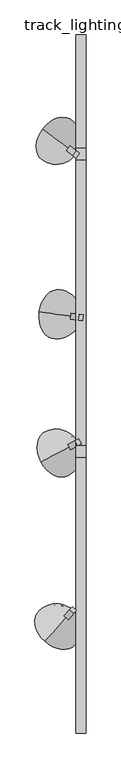
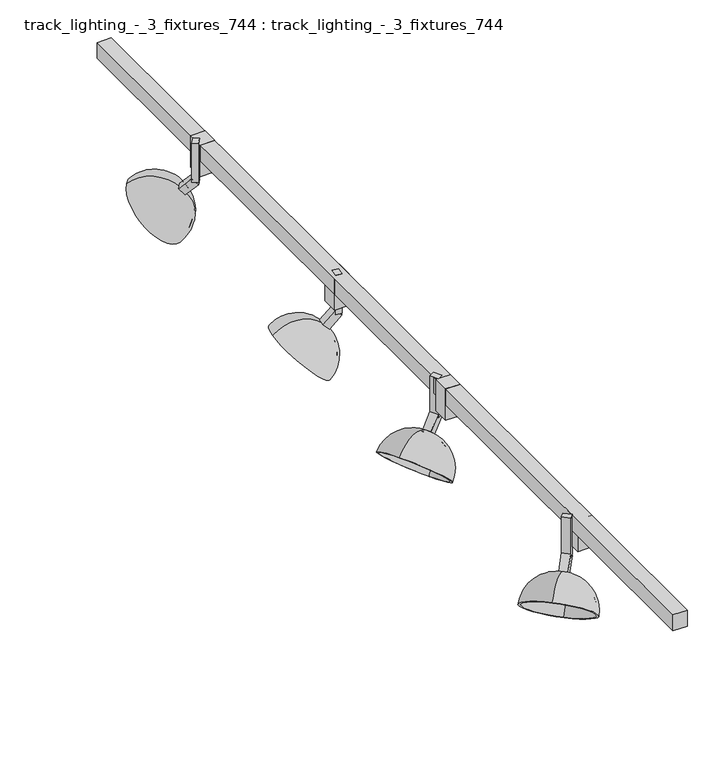
"""IFC4 building model written with IfcOpenShell, lengths in millimetres: light fixture geometry, track_lighting_-_3_fixtures_744 : track_lighting_-_3_fixtures_744."""

from ifc_helpers import new_model, si_unit, point, frame, origin, place, context, project, spatial, polyline, circle_curve, ellipse_curve, trimmed, outline, extrude, source, transform, mapped, element, save
from ifc_brep_helpers import plane_surface, revolved_surface, advanced_brep


def track_lighting_3_fixtures_744_track_lighting_3_fixtures_744_020bd9e4(model_context):
    return source(origin(), model_context, "Body", "SolidModel", [
        extrude(outline(polyline([(21.1742761, 368.065558), (22.8812651, 380.6503181), (31.7800344, 379.4432947), (30.0730454, 366.8585345), (21.1742761, 368.065558)])), frame((0.0, 0.0, 2374.9), z_axis=(0.0, 0.0, 1.0), x_axis=(1.0, 0.0, 0.0)), (0.0, 0.0, 1.0), 63.5),
        extrude(outline(polyline([(0.0, 12.7), (25.4, 12.7), (25.4, 1e-07), (0.0, 0.0), (0.0, 12.7)])), frame((31.7800344, 379.4432947, 2371.9400614), z_axis=(-0.7006904927370674, 0.09504121941494607, 0.7071067811865517), x_axis=(-0.7006904927370755, 0.09504121941494717, -0.7071067811865435)), (0.0, 0.0, 1.0), 12.7),
        advanced_brep(
        [(10.9948777, 375.8544327, 2356.3160112), (10.9948777, 375.8544327, 2284.1890069), (-64.9270306, 386.1524328, 2360.8061393), (6.5454931, 376.4579445, 2360.8061393), (8.6290006, 376.1753388, 2353.9284695), (4.179616, 376.7788506, 2358.4185976), (8.6290006, 376.1753388, 2286.5765486), (-62.5611535, 385.8315267, 2358.4185976)],
        [
            (0, 1, circle_curve(frame((-24.7413841, 380.7016769, 2320.252509), z_axis=(0.13440858148108553, 0.9909259978546546, 0.0), x_axis=(-0.7006904927370693, 0.09504121941493318, 0.7071067811865517)), 51.0014938)),
            (1, 2, circle_curve(frame((-26.9660764, 381.0034328, 2322.4975731), z_axis=(0.7006904927370761, -0.09504121941494727, 0.707106781186543), x_axis=(-0.7006904927370676, 0.09504121941494285, 0.707106781186552)), 54.1764938)),
            (2, 3, circle_curve(frame((-29.1907687, 381.3051886, 2324.7426371), z_axis=(0.13440858148109247, 0.9909259978546537, 0.0), x_axis=(0.7006904927370673, -0.0950412194149429, -0.7071067811865523)), 51.0014938)),
            (3, 0, circle_curve(frame((8.7701854, 376.1561886, 2358.5610752), z_axis=(-0.7006904927370761, 0.09504121941494727, -0.707106781186543), x_axis=(-0.7006904927370676, 0.09504121941494285, 0.707106781186552)), 3.175)),
            (4, 0),
            (3, 5),
            (5, 4, circle_curve(frame((6.4043083, 376.4770947, 2356.1735335), z_axis=(-0.7006904927370761, 0.09504121941494727, -0.707106781186543), x_axis=(-0.7006904927370676, 0.09504121941494285, 0.707106781186552)), 3.175)),
            (6, 4, circle_curve(frame((-24.7413841, 380.7016769, 2320.252509), z_axis=(-0.13440858148109364, -0.9909259978546536, 0.0), x_axis=(-0.7006904927370677, 0.09504121941494462, 0.7071067811865517)), 47.625)),
            (5, 7, circle_curve(frame((-29.1907687, 381.3051886, 2324.7426371), z_axis=(-0.13440858148109247, -0.9909259978546537, 0.0), x_axis=(0.7006904927370673, -0.0950412194149429, -0.7071067811865523)), 47.625)),
            (7, 6, circle_curve(frame((-26.9660764, 381.0034328, 2322.4975731), z_axis=(-0.7006904927370761, 0.09504121941494727, -0.707106781186543), x_axis=(-0.7006904927370676, 0.09504121941494285, 0.707106781186552)), 50.8)),
            (1, 6),
            (7, 2),
            (2, 1, circle_curve(frame((-26.9660764, 381.0034328, 2322.4975731), z_axis=(0.7006904927370761, -0.09504121941494727, 0.707106781186543), x_axis=(0.7006904927370672, -0.09504121941494595, -0.707106781186552)), 54.1764938)),
            (0, 3, circle_curve(frame((8.7701854, 376.1561886, 2358.5610752), z_axis=(-0.7006904927370761, 0.09504121941494727, -0.707106781186543), x_axis=(0.7006904927370672, -0.09504121941494595, -0.707106781186552)), 3.175)),
            (4, 5, circle_curve(frame((6.4043083, 376.4770947, 2356.1735335), z_axis=(-0.7006904927370761, 0.09504121941494727, -0.707106781186543), x_axis=(0.7006904927370672, -0.09504121941494595, -0.707106781186552)), 3.175)),
            (6, 7, circle_curve(frame((-26.9660764, 381.0034328, 2322.4975731), z_axis=(-0.7006904927370761, 0.09504121941494727, -0.707106781186543), x_axis=(0.7006904927370672, -0.09504121941494595, -0.707106781186552)), 50.8)),
        ],
        [
            revolved_surface(trimmed(ellipse_curve(frame((-29.1907687, 381.3051886, 2324.7426371), z_axis=(0.13440858148109247, 0.9909259978546537, 0.0), x_axis=(0.7006904927370673, -0.0950412194149429, -0.7071067811865523)), 51.0014938, 51.0014938), [point((-64.9270306, 386.1524328, 2360.8061393))], [point((6.5454931, 376.4579445, 2360.8061393))], True, "CARTESIAN"), (-1664.2890037, 603.0888888, 670.1815264), (0.7006904927370761, -0.09504121941494727, 0.707106781186543)),
            revolved_surface(polyline([(6.5454931547435535, 376.45794451341686, 2360.8061392475574), (4.179615993413563, 376.77885060923165, 2358.4185975275377)]), (-1664.2890037, 603.0888888, 670.1815264), (0.7006904927370761, -0.09504121941494727, 0.707106781186543)),
            revolved_surface(trimmed(ellipse_curve(frame((-29.1907687, 381.3051886, 2324.7426371), z_axis=(-0.13440858148109247, -0.9909259978546537, 0.0), x_axis=(0.7006904927370673, -0.0950412194149429, -0.7071067811865523)), 47.625, 47.625), [point((4.179616, 376.7788506, 2358.4185976))], [point((-62.5611535, 385.8315267, 2358.4185976))], True, "CARTESIAN"), (-1664.2890037, 603.0888888, 670.1815264), (0.7006904927370761, -0.09504121941494727, 0.707106781186543)),
            plane_surface(frame((-26.9660764, 381.0034328, 2322.4975731), z_axis=(-0.700690492737076, 0.09504121941494724, -0.7071067811865432), x_axis=(-0.7006904927370676, 0.09504121941494285, 0.707106781186552))),
            revolved_surface(trimmed(ellipse_curve(frame((-24.7413841, 380.7016769, 2320.252509), z_axis=(-0.13440858148109466, -0.9909259978546534, 0.0), x_axis=(-0.7006904927370675, 0.09504121941494607, 0.7071067811865517)), 51.0014938, 51.0014938), [point((10.9948777, 375.8544327, 2284.1890069))], [point((10.9948777, 375.8544327, 2356.3160112))], True, "CARTESIAN"), (-1664.2890037, 603.0888888, 670.1815264), (0.7006904927370761, -0.09504121941494727, 0.707106781186543)),
            revolved_surface(polyline([(10.994877783624133, 375.85443277013206, 2356.316011187023), (8.629000622294143, 376.17533886594686, 2353.928469467003)]), (-1664.2890037, 603.0888888, 670.1815264), (0.7006904927370761, -0.09504121941494727, 0.707106781186543)),
            revolved_surface(trimmed(ellipse_curve(frame((-24.7413841, 380.7016769, 2320.252509), z_axis=(0.13440858148109466, 0.9909259978546534, 0.0), x_axis=(-0.7006904927370675, 0.09504121941494607, 0.7071067811865517)), 47.625, 47.625), [point((8.6290006, 376.1753388, 2353.9284695))], [point((8.6290006, 376.1753388, 2286.5765486))], True, "CARTESIAN"), (-1664.2890037, 603.0888888, 670.1815264), (0.7006904927370761, -0.09504121941494727, 0.707106781186543)),
            plane_surface(frame((-26.9660764, 381.0034328, 2322.4975731), z_axis=(-0.700690492737076, 0.09504121941494725, -0.7071067811865432), x_axis=(0.7006904927370672, -0.09504121941494595, -0.707106781186552))),
        ],
        [
            (0, [[1, 2, 3, 4]]),
            (1, [[5, -4, 6, 7]]),
            (2, [[8, -7, 9, 10]]),
            (3, [[11, -10, 12, -2]]),
            (4, [[-3, 13, -1, 14]]),
            (5, [[-6, -14, -5, 15]]),
            (6, [[-9, -15, -8, 16]]),
            (7, [[-12, -16, -11, -13]]),
        ],
    ),
        extrude(outline(polyline([(1.4066547, -263.8270711), (7.4156189, -257.1534402), (16.8535582, -265.6513989), (10.844594, -272.3250298), (1.4066547, -263.8270711)])), frame((0.0, 0.0, 2374.9), z_axis=(0.0, 0.0, 1.0), x_axis=(1.0, 0.0, 0.0)), (0.0, 0.0, 1.0), 63.5),
        extrude(outline(polyline([(12.7, -1e-07), (12.7, -12.7000001), (0.0, -12.7), (0.0, 0.0), (12.7, -1e-07)])), frame((-10.6112738, -277.1743328, 2362.9598052), z_axis=(0.4731467892558183, 0.5254827454987617, 0.7071067811865434), x_axis=(0.4731467892558127, 0.5254827454987554, -0.7071067811865519)), (0.0, 0.0, 1.0), 25.4),
        advanced_brep(
        [(-1.3244237, -276.3501671, 2356.3160112), (-4.3289058, -279.6869825, 2360.8061393), (-52.591292, -333.2877925, 2360.8061393), (-1.3244237, -276.3501671, 2284.1890069), (-2.9220009, -278.1244563, 2353.9284695), (-5.9264831, -281.4612717, 2358.4185976), (-2.9220009, -278.1244563, 2286.5765486), (-50.9937147, -331.5135033, 2358.4185976)],
        [
            (0, 1, circle_curve(frame((-2.8266648, -278.0185748, 2358.5610752), z_axis=(-0.47314678925581866, -0.5254827454987621, -0.7071067811865429), x_axis=(-0.4731467892558151, -0.5254827454987533, 0.707106781186552)), 3.175)),
            (1, 2, circle_curve(frame((-28.4600989, -306.4873875, 2324.7426371), z_axis=(0.7431448254773926, -0.6691306063588609, 0.0), x_axis=(0.4731467892558148, 0.5254827454987532, -0.7071067811865523)), 51.0014938)),
            (2, 3, circle_curve(frame((-26.9578578, -304.8189798, 2322.4975731), z_axis=(0.47314678925581866, 0.5254827454987621, 0.7071067811865429), x_axis=(-0.4731467892558151, -0.5254827454987533, 0.707106781186552)), 54.1764938)),
            (3, 0, circle_curve(frame((-25.4556168, -303.1505721, 2320.252509), z_axis=(0.7431448254773907, -0.669130606358863, 0.0), x_axis=(-0.4731467892558183, -0.5254827454987508, 0.7071067811865517)), 51.0014938)),
            (4, 5, circle_curve(frame((-4.424242, -279.792864, 2356.1735335), z_axis=(-0.47314678925581866, -0.5254827454987621, -0.7071067811865429), x_axis=(-0.4731467892558151, -0.5254827454987533, 0.707106781186552)), 3.175)),
            (5, 1),
            (0, 4),
            (6, 7, circle_curve(frame((-26.9578578, -304.8189798, 2322.4975731), z_axis=(-0.47314678925581866, -0.5254827454987621, -0.7071067811865429), x_axis=(-0.4731467892558151, -0.5254827454987533, 0.707106781186552)), 50.8)),
            (7, 5, circle_curve(frame((-28.4600989, -306.4873875, 2324.7426371), z_axis=(-0.7431448254773926, 0.6691306063588609, 0.0), x_axis=(0.4731467892558148, 0.5254827454987532, -0.7071067811865523)), 47.625)),
            (4, 6, circle_curve(frame((-25.4556168, -303.1505721, 2320.252509), z_axis=(-0.7431448254773879, 0.669130606358866, 0.0), x_axis=(-0.4731467892558226, -0.525482745498747, 0.7071067811865517)), 47.625)),
            (2, 7),
            (6, 3),
            (1, 0, circle_curve(frame((-2.8266648, -278.0185748, 2358.5610752), z_axis=(-0.47314678925581866, -0.5254827454987621, -0.7071067811865429), x_axis=(0.4731467892558128, 0.5254827454987553, -0.707106781186552)), 3.175)),
            (3, 2, circle_curve(frame((-26.9578578, -304.8189798, 2322.4975731), z_axis=(0.47314678925581866, 0.5254827454987621, 0.7071067811865429), x_axis=(0.4731467892558128, 0.5254827454987553, -0.707106781186552)), 54.1764938)),
            (5, 4, circle_curve(frame((-4.424242, -279.792864, 2356.1735335), z_axis=(-0.47314678925581866, -0.5254827454987621, -0.7071067811865429), x_axis=(0.4731467892558128, 0.5254827454987553, -0.707106781186552)), 3.175)),
            (7, 6, circle_curve(frame((-26.9578578, -304.8189798, 2322.4975731), z_axis=(-0.47314678925581866, -0.5254827454987621, -0.7071067811865429), x_axis=(0.4731467892558128, 0.5254827454987553, -0.707106781186552)), 50.8)),
        ],
        [
            revolved_surface(trimmed(ellipse_curve(frame((-28.4600989, -306.4873875, 2324.7426371), z_axis=(-0.7431448254773926, 0.6691306063588609, 0.0), x_axis=(0.4731467892558148, 0.5254827454987532, -0.7071067811865523)), 51.0014938, 51.0014938), [point((-52.591292, -333.2877925, 2360.8061393))], [point((-4.3289058, -279.6869825, 2360.8061393))], True, "CARTESIAN"), (-1132.573096, -1532.7290999, 670.1815264), (0.47314678925581877, 0.5254827454987622, 0.707106781186543)),
            revolved_surface(polyline([(-4.32890578322008, -279.68698246191775, 2360.806139260473), (-5.926483028103803, -281.46127174349203, 2358.418597531397)]), (-1132.573096, -1532.7290999, 670.1815264), (0.47314678925581877, 0.5254827454987622, 0.707106781186543)),
            revolved_surface(trimmed(ellipse_curve(frame((-28.4600989, -306.4873875, 2324.7426371), z_axis=(0.7431448254773926, -0.6691306063588609, 0.0), x_axis=(0.4731467892558148, 0.5254827454987532, -0.7071067811865523)), 47.625, 47.625), [point((-5.9264831, -281.4612717, 2358.4185976))], [point((-50.9937147, -331.5135033, 2358.4185976))], True, "CARTESIAN"), (-1132.573096, -1532.7290999, 670.1815264), (0.47314678925581877, 0.5254827454987622, 0.707106781186543)),
            plane_surface(frame((-26.9578578, -304.8189798, 2322.4975731), z_axis=(-0.4731467892558184, -0.5254827454987618, -0.7071067811865434), x_axis=(-0.473146789255815, -0.5254827454987532, 0.7071067811865519))),
            revolved_surface(trimmed(ellipse_curve(frame((-25.4556168, -303.1505721, 2320.252509), z_axis=(0.7431448254773941, -0.6691306063588593, 0.0), x_axis=(-0.473146789255813, -0.5254827454987556, 0.7071067811865517)), 51.0014938, 51.0014938), [point((-1.3244237, -276.3501671, 2284.1890069))], [point((-1.3244237, -276.3501671, 2356.3160112))], True, "CARTESIAN"), (-1132.573096, -1532.7290999, 670.1815264), (0.47314678925581877, 0.5254827454987622, 0.707106781186543)),
            revolved_surface(polyline([(-1.3244236714456292, -276.35016702800044, 2356.3160111999387), (-2.9220009163293525, -278.1244563095747, 2353.9284694708626)]), (-1132.573096, -1532.7290999, 670.1815264), (0.47314678925581877, 0.5254827454987622, 0.707106781186543)),
            revolved_surface(trimmed(ellipse_curve(frame((-25.4556168, -303.1505721, 2320.252509), z_axis=(-0.7431448254773941, 0.6691306063588593, 0.0), x_axis=(-0.473146789255813, -0.5254827454987556, 0.7071067811865517)), 47.625, 47.625), [point((-2.9220009, -278.1244563, 2353.9284695))], [point((-2.9220009, -278.1244563, 2286.5765486))], True, "CARTESIAN"), (-1132.573096, -1532.7290999, 670.1815264), (0.47314678925581877, 0.5254827454987622, 0.707106781186543)),
            plane_surface(frame((-26.9578578, -304.8189798, 2322.4975731), z_axis=(-0.4731467892558184, -0.5254827454987617, -0.7071067811865432), x_axis=(0.4731467892558127, 0.5254827454987552, -0.7071067811865519))),
        ],
        [
            (0, [[1, 2, 3, 4]]),
            (1, [[5, 6, -1, 7]]),
            (2, [[8, 9, -5, 10]]),
            (3, [[-3, 11, -8, 12]]),
            (4, [[13, -4, 14, -2]]),
            (5, [[15, -7, -13, -6]]),
            (6, [[16, -10, -15, -9]]),
            (7, [[-14, -12, -16, -11]]),
        ],
    ),
        extrude(outline(polyline([(13.5830052, 105.1858771), (21.4933982, 109.4368398), (27.5051673, 98.2498548), (19.5947744, 93.9988921), (13.5830052, 105.1858771)])), frame((0.0, 0.0, 2374.9), z_axis=(0.0, 0.0, 1.0), x_axis=(1.0, 0.0, 0.0)), (0.0, 0.0, 1.0), 63.5),
        extrude(outline(polyline([(12.7, 0.0), (12.6999999, -12.7), (0.0, -12.7), (0.0, 0.0), (12.7, 0.0)])), frame((-2.2377806, 96.6839517, 2362.9598052), z_axis=(0.6228655838762266, 0.33472147290326887, 0.7071067811865431), x_axis=(0.6228655838762187, 0.33472147290326465, -0.707106781186552)), (0.0, 0.0, 1.0), 25.4),
        advanced_brep(
        [(6.781408, 94.3219461, 2356.3160112), (2.8262115, 92.1964647, 2360.8061393), (-60.707939, 58.0538745, 2360.8061393), (6.781408, 94.3219461, 2284.1890069), (4.6783062, 93.1917611, 2353.9284695), (0.7231097, 91.0662797, 2358.4185976), (4.6783062, 93.1917611, 2286.5765486), (-58.6048372, 59.1840595, 2358.4185976)],
        [
            (0, 1, circle_curve(frame((4.8038098, 93.2592054, 2358.5610752), z_axis=(-0.6228655838762266, -0.33472147290326887, -0.707106781186543), x_axis=(-0.6228655838762202, -0.33472147290326176, 0.707106781186552)), 3.175)),
            (1, 2, circle_curve(frame((-28.9408637, 75.1251696, 2324.7426371), z_axis=(0.4733676465972963, -0.8808649562531917, 0.0), x_axis=(0.6228655838762199, 0.33472147290326165, -0.7071067811865523)), 51.0014938)),
            (2, 3, circle_curve(frame((-26.9632655, 76.1879103, 2322.4975731), z_axis=(0.6228655838762266, 0.33472147290326887, 0.707106781186543), x_axis=(-0.6228655838762202, -0.33472147290326176, 0.707106781186552)), 54.1764938)),
            (3, 0, circle_curve(frame((-24.9856673, 77.250651, 2320.252509), z_axis=(0.47336764659729375, -0.880864956253193, 0.0), x_axis=(-0.6228655838762223, -0.3347214729032584, 0.7071067811865517)), 51.0014938)),
            (4, 5, circle_curve(frame((2.7007079, 92.1290204, 2356.1735335), z_axis=(-0.6228655838762266, -0.33472147290326887, -0.707106781186543), x_axis=(-0.6228655838762202, -0.33472147290326176, 0.707106781186552)), 3.175)),
            (5, 1),
            (0, 4),
            (6, 7, circle_curve(frame((-26.9632655, 76.1879103, 2322.4975731), z_axis=(-0.6228655838762266, -0.33472147290326887, -0.707106781186543), x_axis=(-0.6228655838762202, -0.33472147290326176, 0.707106781186552)), 50.8)),
            (7, 5, circle_curve(frame((-28.9408637, 75.1251696, 2324.7426371), z_axis=(-0.4733676465972963, 0.8808649562531917, 0.0), x_axis=(0.6228655838762199, 0.33472147290326165, -0.7071067811865523)), 47.625)),
            (4, 6, circle_curve(frame((-24.9856673, 77.250651, 2320.252509), z_axis=(-0.47336764659729014, 0.880864956253195, 0.0), x_axis=(-0.622865583876225, -0.33472147290325327, 0.7071067811865517)), 47.625)),
            (2, 7),
            (6, 3),
            (1, 0, circle_curve(frame((4.8038098, 93.2592054, 2358.5610752), z_axis=(-0.6228655838762266, -0.33472147290326887, -0.707106781186543), x_axis=(0.6228655838762186, 0.3347214729032645, -0.707106781186552)), 3.175)),
            (3, 2, circle_curve(frame((-26.9632655, 76.1879103, 2322.4975731), z_axis=(0.6228655838762266, 0.33472147290326887, 0.707106781186543), x_axis=(0.6228655838762186, 0.3347214729032645, -0.707106781186552)), 54.1764938)),
            (5, 4, circle_curve(frame((2.7007079, 92.1290204, 2356.1735335), z_axis=(-0.6228655838762266, -0.33472147290326887, -0.707106781186543), x_axis=(0.6228655838762186, 0.3347214729032645, -0.707106781186552)), 3.175)),
            (7, 6, circle_curve(frame((-26.9632655, 76.1879103, 2322.4975731), z_axis=(-0.6228655838762266, -0.33472147290326887, -0.707106781186543), x_axis=(0.6228655838762186, 0.3347214729032645, -0.707106781186552)), 50.8)),
        ],
        [
            revolved_surface(trimmed(ellipse_curve(frame((-28.9408637, 75.1251696, 2324.7426371), z_axis=(-0.4733676465972963, 0.8808649562531917, 0.0), x_axis=(0.6228655838762199, 0.33472147290326165, -0.7071067811865523)), 51.0014938, 51.0014938), [point((-60.707939, 58.0538745, 2360.8061393))], [point((2.8262115, 92.1964647, 2360.8061393))], True, "CARTESIAN"), (-1482.4305676, -705.9650482, 670.1815264), (0.6228655838762266, 0.33472147290326887, 0.707106781186543)),
            revolved_surface(polyline([(2.8262115781592456, 92.19646470977375, 2360.8061392466757), (0.723109722145864, 91.06627969211786, 2358.418597500255)]), (-1482.4305676, -705.9650482, 670.1815264), (0.6228655838762266, 0.33472147290326887, 0.707106781186543)),
            revolved_surface(trimmed(ellipse_curve(frame((-28.9408637, 75.1251696, 2324.7426371), z_axis=(0.4733676465972963, -0.8808649562531917, 0.0), x_axis=(0.6228655838762199, 0.33472147290326165, -0.7071067811865523)), 47.625, 47.625), [point((0.7231097, 91.0662797, 2358.4185976))], [point((-58.6048372, 59.1840595, 2358.4185976))], True, "CARTESIAN"), (-1482.4305676, -705.9650482, 670.1815264), (0.6228655838762266, 0.33472147290326887, 0.707106781186543)),
            plane_surface(frame((-26.9632655, 76.1879103, 2322.4975731), z_axis=(-0.6228655838762266, -0.33472147290326887, -0.707106781186543), x_axis=(-0.6228655838762202, -0.33472147290326176, 0.707106781186552))),
            revolved_surface(trimmed(ellipse_curve(frame((-24.9856673, 77.250651, 2320.252509), z_axis=(0.47336764659729824, -0.8808649562531906, 0.0), x_axis=(-0.6228655838762188, -0.3347214729032647, 0.7071067811865517)), 51.0014938, 51.0014938), [point((6.781408, 94.3219461, 2284.1890069))], [point((6.781408, 94.3219461, 2356.3160112))], True, "CARTESIAN"), (-1482.4305676, -705.9650482, 670.1815264), (0.6228655838762266, 0.33472147290326887, 0.707106781186543)),
            revolved_surface(polyline([(6.781408035773211, 94.32194606270957, 2356.316011186141), (4.678306179759829, 93.19176104505368, 2353.9284694397206)]), (-1482.4305676, -705.9650482, 670.1815264), (0.6228655838762266, 0.33472147290326887, 0.707106781186543)),
            revolved_surface(trimmed(ellipse_curve(frame((-24.9856673, 77.250651, 2320.252509), z_axis=(-0.47336764659729824, 0.8808649562531906, 0.0), x_axis=(-0.6228655838762188, -0.3347214729032647, 0.7071067811865517)), 47.625, 47.625), [point((4.6783062, 93.1917611, 2353.9284695))], [point((4.6783062, 93.1917611, 2286.5765486))], True, "CARTESIAN"), (-1482.4305676, -705.9650482, 670.1815264), (0.6228655838762266, 0.33472147290326887, 0.707106781186543)),
            plane_surface(frame((-26.9632655, 76.1879103, 2322.4975731), z_axis=(-0.6228655838762267, -0.3347214729032689, -0.707106781186543), x_axis=(0.6228655838762187, 0.33472147290326454, -0.7071067811865521))),
        ],
        [
            (0, [[1, 2, 3, 4]]),
            (1, [[5, 6, -1, 7]]),
            (2, [[8, 9, -5, 10]]),
            (3, [[-3, 11, -8, 12]]),
            (4, [[13, -4, 14, -2]]),
            (5, [[15, -7, -13, -6]]),
            (6, [[16, -10, -15, -9]]),
            (7, [[-14, -12, -16, -11]]),
        ],
    ),
        extrude(outline(polyline([(16.3468869, 737.3314735), (23.5188383, 731.9270204), (15.8757875, 721.7843495), (8.7038361, 727.1888025), (16.3468869, 737.3314735)])), frame((0.0, 0.0, 2374.9), z_axis=(0.0, 0.0, 1.0), x_axis=(1.0, 0.0, 0.0)), (0.0, 0.0, 1.0), 63.5),
        extrude(outline(polyline([(0.0, -12.6999999), (0.0, 0.0), (25.4, 0.0), (25.4, -12.7), (0.0, -12.6999999)])), frame((15.8757875, 721.7843495, 2371.9400614), z_axis=(-0.5647205848508035, 0.425547483890765, 0.7071067811865515), x_axis=(-0.5647205848508097, 0.4255474838907698, -0.7071067811865436)), (0.0, 0.0, 1.0), 12.7),
        advanced_brep(
        [(3.6334159, 738.9606996, 2356.3160112), (0.0474402, 741.6629261, 2360.8061393), (-57.5557467, 785.0700409, 2360.8061393), (3.6334159, 738.9606996, 2284.1890069), (1.7266403, 740.3975581, 2353.9284695), (-1.8593354, 743.0997846, 2358.4185976), (1.7266403, 740.3975581, 2286.5765486), (-55.6489711, 783.6331824, 2358.4185976)],
        [
            (0, 1, circle_curve(frame((1.8404281, 740.3118129, 2358.5610752), z_axis=(-0.5647205848508102, 0.42554748389077024, -0.7071067811865431), x_axis=(-0.564720584850801, 0.42554748389076724, 0.707106781186552)), 3.175)),
            (1, 2, circle_curve(frame((-28.7541532, 763.3664835, 2324.7426371), z_axis=(-0.6018150231520712, -0.7986355100472755, 0.0), x_axis=(0.5647205848508008, -0.425547483890767, -0.7071067811865523)), 51.0014938)),
            (2, 3, circle_curve(frame((-26.9611654, 762.0153702, 2322.4975731), z_axis=(0.5647205848508102, -0.42554748389077024, 0.7071067811865431), x_axis=(-0.564720584850801, 0.42554748389076724, 0.707106781186552)), 54.1764938)),
            (3, 0, circle_curve(frame((-25.1681775, 760.664257, 2320.252509), z_axis=(-0.6018150231520736, -0.7986355100472738, 0.0), x_axis=(-0.5647205848507988, 0.42554748389077063, 0.7071067811865517)), 51.0014938)),
            (4, 5, circle_curve(frame((-0.0663475, 741.7486713, 2356.1735335), z_axis=(-0.5647205848508102, 0.42554748389077024, -0.7071067811865431), x_axis=(-0.564720584850801, 0.42554748389076724, 0.707106781186552)), 3.175)),
            (5, 1),
            (0, 4),
            (6, 7, circle_curve(frame((-26.9611654, 762.0153702, 2322.4975731), z_axis=(-0.5647205848508102, 0.42554748389077024, -0.7071067811865431), x_axis=(-0.564720584850801, 0.42554748389076724, 0.707106781186552)), 50.8)),
            (7, 5, circle_curve(frame((-28.7541532, 763.3664835, 2324.7426371), z_axis=(0.6018150231520712, 0.7986355100472755, 0.0), x_axis=(0.5647205848508008, -0.425547483890767, -0.7071067811865523)), 47.625)),
            (4, 6, circle_curve(frame((-25.1681775, 760.664257, 2320.252509), z_axis=(0.6018150231520768, 0.7986355100472713, 0.0), x_axis=(-0.5647205848507953, 0.42554748389077524, 0.7071067811865517)), 47.625)),
            (2, 7),
            (6, 3),
            (1, 0, circle_curve(frame((1.8404281, 740.3118129, 2358.5610752), z_axis=(-0.5647205848508102, 0.42554748389077024, -0.7071067811865431), x_axis=(0.5647205848508029, -0.4255474838907648, -0.707106781186552)), 3.175)),
            (3, 2, circle_curve(frame((-26.9611654, 762.0153702, 2322.4975731), z_axis=(0.5647205848508102, -0.42554748389077024, 0.7071067811865431), x_axis=(0.5647205848508029, -0.4255474838907648, -0.707106781186552)), 54.1764938)),
            (5, 4, circle_curve(frame((-0.0663475, 741.7486713, 2356.1735335), z_axis=(-0.5647205848508102, 0.42554748389077024, -0.7071067811865431), x_axis=(0.5647205848508029, -0.4255474838907648, -0.707106781186552)), 3.175)),
            (7, 6, circle_curve(frame((-26.9611654, 762.0153702, 2322.4975731), z_axis=(-0.5647205848508102, 0.42554748389077024, -0.7071067811865431), x_axis=(0.5647205848508029, -0.4255474838907648, -0.707106781186552)), 50.8)),
        ],
        [
            revolved_surface(trimmed(ellipse_curve(frame((-28.7541532, 763.3664835, 2324.7426371), z_axis=(0.6018150231520712, 0.7986355100472755, 0.0), x_axis=(0.5647205848508008, -0.425547483890767, -0.7071067811865523)), 51.0014938, 51.0014938), [point((-57.5557467, 785.0700409, 2360.8061393))], [point((0.0474402, 741.6629261, 2360.8061393))], True, "CARTESIAN"), (-1346.559434, 1756.4039901, 670.1815264), (0.5647205848508101, -0.42554748389077013, 0.707106781186543)),
            revolved_surface(polyline([(0.047440266123430774, 741.6629261004426, 2360.8061392474574), (-1.8593353569269766, 743.0997845938296, 2358.4185974977327)]), (-1346.559434, 1756.4039901, 670.1815264), (0.5647205848508101, -0.42554748389077013, 0.707106781186543)),
            revolved_surface(trimmed(ellipse_curve(frame((-28.7541532, 763.3664835, 2324.7426371), z_axis=(-0.6018150231520712, -0.7986355100472755, 0.0), x_axis=(0.5647205848508008, -0.425547483890767, -0.7071067811865523)), 47.625, 47.625), [point((-1.8593354, 743.0997846, 2358.4185976))], [point((-55.6489711, 783.6331824, 2358.4185976))], True, "CARTESIAN"), (-1346.559434, 1756.4039901, 670.1815264), (0.5647205848508101, -0.42554748389077013, 0.707106781186543)),
            plane_surface(frame((-26.9611654, 762.0153702, 2322.4975731), z_axis=(-0.5647205848508103, 0.4255474838907702, -0.707106781186543), x_axis=(-0.5647205848508011, 0.4255474838907673, 0.7071067811865521))),
            revolved_surface(trimmed(ellipse_curve(frame((-25.1681775, 760.664257, 2320.252509), z_axis=(-0.6018150231520696, -0.7986355100472768, 0.0), x_axis=(-0.5647205848508031, 0.4255474838907649, 0.7071067811865517)), 51.0014938, 51.0014938), [point((3.6334159, 738.9606996, 2284.1890069))], [point((3.6334159, 738.9606996, 2356.3160112))], True, "CARTESIAN"), (-1346.559434, 1756.4039901, 670.1815264), (0.5647205848508101, -0.42554748389077013, 0.707106781186543)),
            revolved_surface(polyline([(3.6334159799262125, 738.9606995777361, 2356.316011186923), (1.726640356875805, 740.3975580711231, 2353.928469437198)]), (-1346.559434, 1756.4039901, 670.1815264), (0.5647205848508101, -0.42554748389077013, 0.707106781186543)),
            revolved_surface(trimmed(ellipse_curve(frame((-25.1681775, 760.664257, 2320.252509), z_axis=(0.6018150231520696, 0.7986355100472768, 0.0), x_axis=(-0.5647205848508031, 0.4255474838907649, 0.7071067811865517)), 47.625, 47.625), [point((1.7266403, 740.3975581, 2353.9284695))], [point((1.7266403, 740.3975581, 2286.5765486))], True, "CARTESIAN"), (-1346.559434, 1756.4039901, 670.1815264), (0.5647205848508101, -0.42554748389077013, 0.707106781186543)),
            plane_surface(frame((-26.9611654, 762.0153702, 2322.4975731), z_axis=(-0.5647205848508101, 0.42554748389077013, -0.707106781186543), x_axis=(0.5647205848508029, -0.4255474838907648, -0.707106781186552))),
        ],
        [
            (0, [[1, 2, 3, 4]]),
            (1, [[5, 6, -1, 7]]),
            (2, [[8, 9, -5, 10]]),
            (3, [[-3, 11, -8, 12]]),
            (4, [[13, -4, 14, -2]]),
            (5, [[15, -7, -13, -6]]),
            (6, [[16, -10, -15, -9]]),
            (7, [[-14, -12, -16, -11]]),
        ],
    ),
        extrude(outline(polyline([(37.8064362, 742.95), (37.8064362, 717.55), (16.1261801, 717.55), (16.1261801, 742.95), (37.8064362, 742.95)])), frame((0.0, 0.0, 2387.6), z_axis=(0.0, 0.0, 1.0), x_axis=(1.0, 0.0, 0.0)), (0.0, 0.0, 1.0), 50.8),
        extrude(outline(polyline([(37.8064362, 93.6625), (37.8064362, 68.2625), (16.1261801, 68.2625), (16.1261801, 93.6625), (37.8064362, 93.6625)])), frame((0.0, 0.0, 2387.6), z_axis=(0.0, 0.0, 1.0), x_axis=(1.0, 0.0, 0.0)), (0.0, 0.0, 1.0), 50.8),
        extrude(outline(polyline([(37.8064362, 990.6), (37.8064362, -533.4), (16.1261801, -533.4), (16.1261801, 990.6), (37.8064362, 990.6)])), frame((0.0, 0.0, 2413.0), z_axis=(0.0, 0.0, 1.0), x_axis=(1.0, 0.0, 0.0)), (0.0, 0.0, 1.0), 25.4),
        extrude(outline(polyline([(37.8064362, -255.5875), (37.8064362, -280.9875), (16.1261801, -280.9875), (16.1261801, -255.5875), (37.8064362, -255.5875)])), frame((0.0, 0.0, 2387.6), z_axis=(0.0, 0.0, 1.0), x_axis=(1.0, 0.0, 0.0)), (0.0, 0.0, 1.0), 50.8),
        extrude(outline(polyline([(37.8064362, 387.35), (37.8064362, 361.95), (16.1261801, 361.95), (16.1261801, 387.35), (37.8064362, 387.35)])), frame((0.0, 0.0, 2387.6), z_axis=(0.0, 0.0, 1.0), x_axis=(1.0, 0.0, 0.0)), (0.0, 0.0, 1.0), 50.8),
    ])


if __name__ == "__main__":
    model = new_model("IFC4")
    model_context = context("Model", 3, world=origin())
    ifc_project = project(units=[si_unit("LENGTHUNIT", "METRE", prefix="MILLI")], contexts=[model_context])
    site = spatial("IfcSite", under=ifc_project)
    building = spatial("IfcBuilding", under=site)
    placement = place(None, origin())
    track_lighting_3_fixtures_744_track_lighting_3_fixtures_744_shape = track_lighting_3_fixtures_744_track_lighting_3_fixtures_744_020bd9e4(model_context)
    element("IfcLightFixture", 1, ObjectType="track_lighting_-_3_fixtures_744 : track_lighting_-_3_fixtures_744", at=placement, inside=building, context=model_context, shape_type="MappedRepresentation", body=[
        mapped(track_lighting_3_fixtures_744_track_lighting_3_fixtures_744_shape, transform((0.0, 0.0, 0.0), x_axis=(1.0, 0.0, 0.0), y_axis=(0.0, 1.0, 0.0), z_axis=(0.0, 0.0, 1.0))),
    ])
    save(model, "model.ifc")
